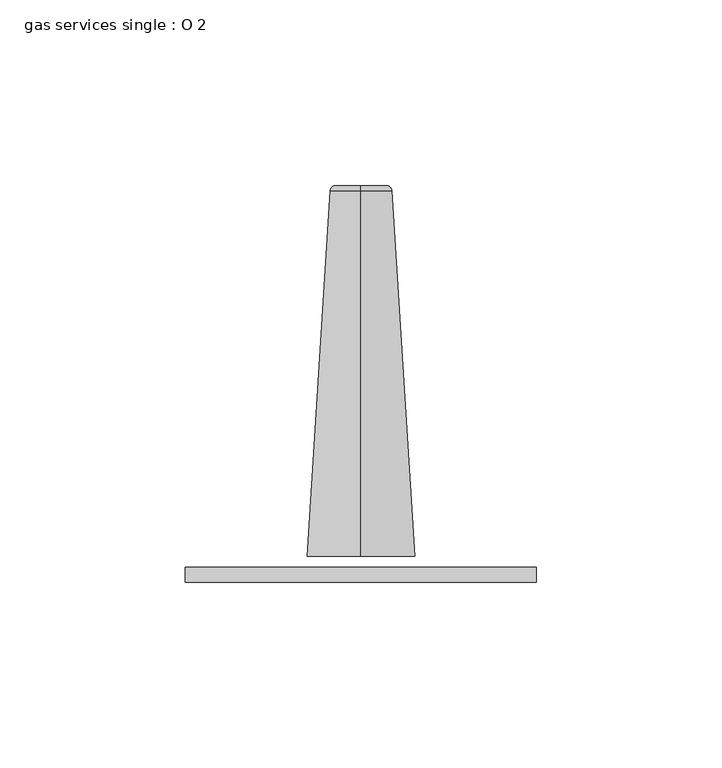
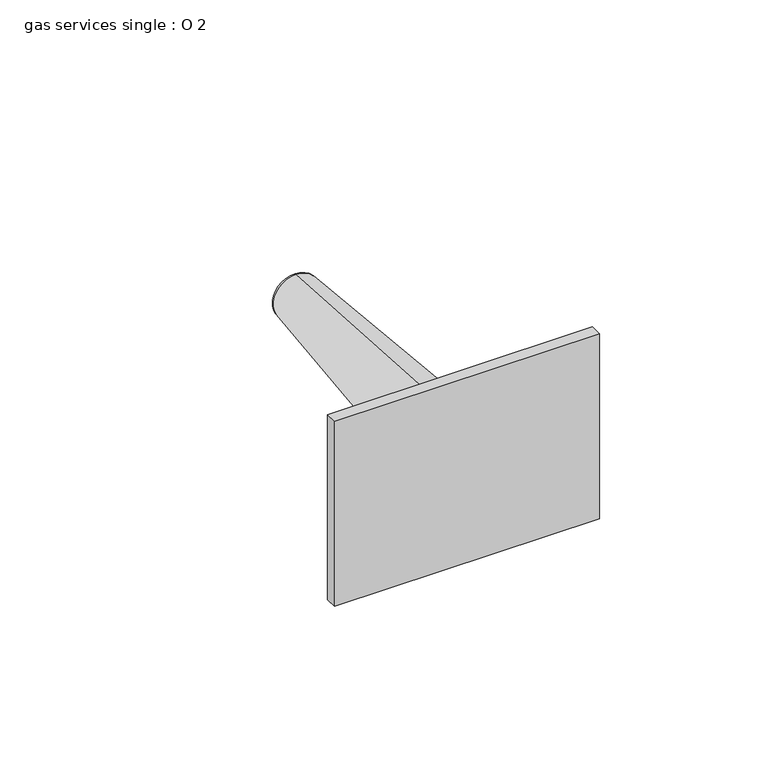
"""IFC4 building model written with IfcOpenShell, lengths in millimetres: flow terminal geometry, gas services single : O 2."""

import ifcopenshell
import ifcopenshell.guid

model = None  # the IFC model being written
_history = None  # IfcOwnerHistory: only IFC2X3 demands one
_inside = {}  # id of a spatial element -> (the spatial element, [elements in it])
_under = {}  # id of a project, library or spatial element -> (it, [spatial elements below it])
_declared = {}  # id of a project -> (the project, [libraries it declares])
_typed = {}  # id of a type object -> (the type object, [elements of that type])
_made_of = {}  # id of a material, layer set ... -> (it, [elements and type objects made of it])


def new_model(schema):
    """Start an empty IFC model of exactly this schema.

    Asked for "IFC4X3", IfcOpenShell would pick the latest addendum, in which some entities
    have other attributes; the version numbers below select the first issue.
    IFC2X3 requires an IfcOwnerHistory on every rooted entity: one is made here for all.
    """
    global model, _history
    if schema == "IFC4X3":
        model = ifcopenshell.file(schema_version=(4, 3, 0, 0))
    else:
        model = ifcopenshell.file(schema=schema)
    _inside.clear()
    _under.clear()
    _declared.clear()
    _typed.clear()
    _made_of.clear()
    _history = None
    if model.schema == "IFC2X3":
        org = make("IfcOrganization", Name="unknown")
        user = make(
            "IfcPersonAndOrganization",
            ThePerson=make("IfcPerson", FamilyName="unknown"),
            TheOrganization=org,
        )
        app = make(
            "IfcApplication",
            ApplicationDeveloper=org,
            Version="unknown",
            ApplicationFullName="unknown",
            ApplicationIdentifier="unknown",
        )
        _history = make(
            "IfcOwnerHistory",
            OwningUser=user,
            OwningApplication=app,
            ChangeAction="ADDED",
            CreationDate=0,
        )
    return model


def make(cls, **values):
    """One entity of the class cls with the attributes given. An attribute that is None is left unset."""
    return model.create_entity(
        cls, **{name: value for name, value in values.items() if value is not None}
    )


def rooted(cls, **values):
    """An entity with a GlobalId (a new one), such as an element, a storey or a relation."""
    return make(cls, GlobalId=ifcopenshell.guid.new(), OwnerHistory=_history, **values)


def si_unit(unit_type, name, prefix=None):
    """IfcSIUnit, for example si_unit("LENGTHUNIT", "METRE", prefix="MILLI")."""
    return make("IfcSIUnit", UnitType=unit_type, Prefix=prefix, Name=name)


def assignment(units):
    """IfcUnitAssignment: the units of a project."""
    return None if units is None else make("IfcUnitAssignment", Units=units)


def point(xyz):
    """IfcCartesianPoint."""
    return None if xyz is None else make("IfcCartesianPoint", Coordinates=xyz)


def direction(xyz):
    """IfcDirection."""
    return None if xyz is None else make("IfcDirection", DirectionRatios=xyz)


def frame(location, z_axis=None, x_axis=None):
    """IfcAxis2Placement3D, a coordinate frame: its origin and axes. An axis left out is left unset."""
    return make(
        "IfcAxis2Placement3D",
        Location=point(location),
        Axis=direction(z_axis),
        RefDirection=direction(x_axis),
    )


def origin():
    """The frame at (0, 0, 0) with its axes left unset."""
    return frame((0.0, 0.0, 0.0))


def place(relative_to, where):
    """IfcLocalPlacement: puts the frame where relative to a parent placement (None: the world)."""
    return make(
        "IfcLocalPlacement", PlacementRelTo=relative_to, RelativePlacement=where
    )


def context(
    kind, dimensions, precision=None, world=None, true_north=None, identifier=None
):
    """IfcGeometricRepresentationContext, for example the 3D "Model" context."""
    return make(
        "IfcGeometricRepresentationContext",
        ContextIdentifier=identifier,
        ContextType=kind,
        CoordinateSpaceDimension=dimensions,
        Precision=precision,
        WorldCoordinateSystem=world,
        TrueNorth=true_north,
    )


def project(units=None, contexts=None):
    """IfcProject with its units and contexts."""
    return rooted(
        "IfcProject",
        Name="project",
        RepresentationContexts=contexts,
        UnitsInContext=assignment(units),
    )


def spatial(cls, under=None, at=None, **own):
    """A site, building, storey or space (cls), placed at a placement, below another one or the project."""
    s = rooted(cls, ObjectPlacement=at, **own)
    if under is not None:
        _under.setdefault(under.id(), (under, []))[1].append(s)
    return s


def polyline(points):
    """IfcPolyline through the points."""
    return make("IfcPolyline", Points=[point(p) for p in points])


def circle_curve(where, radius):
    """IfcCircle in the frame where."""
    return make("IfcCircle", Position=where, Radius=radius)


def ellipse_curve(where, semi_axis1, semi_axis2):
    """IfcEllipse in the frame where."""
    return make(
        "IfcEllipse", Position=where, SemiAxis1=semi_axis1, SemiAxis2=semi_axis2
    )


def trimmed(basis, trim1, trim2, sense, master):
    """IfcTrimmedCurve: the piece of a basis curve between two trims."""
    return make(
        "IfcTrimmedCurve",
        BasisCurve=basis,
        Trim1=trim1,
        Trim2=trim2,
        SenseAgreement=sense,
        MasterRepresentation=master,
    )


def outline(outer, holes=None, kind="AREA"):
    """IfcArbitraryClosedProfileDef: a profile drawn as a closed curve; with holes, ...WithVoids."""
    if holes is None:
        return make("IfcArbitraryClosedProfileDef", ProfileType=kind, OuterCurve=outer)
    return make(
        "IfcArbitraryProfileDefWithVoids",
        ProfileType=kind,
        OuterCurve=outer,
        InnerCurves=holes,
    )


def extrude(swept, where, along, depth):
    """IfcExtrudedAreaSolid: the profile swept, set in the frame where, extruded along a direction by depth."""
    return make(
        "IfcExtrudedAreaSolid",
        SweptArea=swept,
        Position=where,
        ExtrudedDirection=direction(along),
        Depth=depth,
    )


def shape(context_of_items, identifier, shape_type, items):
    """IfcShapeRepresentation: the items that make up one representation, for example the "Body"."""
    return make(
        "IfcShapeRepresentation",
        ContextOfItems=context_of_items,
        RepresentationIdentifier=identifier,
        RepresentationType=shape_type,
        Items=items,
    )


def source(mapping_origin, context_of_items, identifier, shape_type, items):
    """IfcRepresentationMap: a shape defined once, which mapped items show again and again."""
    return make(
        "IfcRepresentationMap",
        MappingOrigin=mapping_origin,
        MappedRepresentation=shape(context_of_items, identifier, shape_type, items),
    )


def transform(
    local_origin,
    x_axis=None,
    y_axis=None,
    z_axis=None,
    scale=None,
    scale2=None,
    scale3=None,
    uniform=True,
):
    """IfcCartesianTransformationOperator3D, or its non-uniform kind. x_axis, y_axis, z_axis: its Axis1, 2, 3."""
    if uniform:
        return make(
            "IfcCartesianTransformationOperator3D",
            Axis1=direction(x_axis),
            Axis2=direction(y_axis),
            LocalOrigin=point(local_origin),
            Scale=scale,
            Axis3=direction(z_axis),
        )
    return make(
        "IfcCartesianTransformationOperator3DnonUniform",
        Axis1=direction(x_axis),
        Axis2=direction(y_axis),
        LocalOrigin=point(local_origin),
        Scale=scale,
        Axis3=direction(z_axis),
        Scale2=scale2,
        Scale3=scale3,
    )


def mapped(mapping_source, mapping_target):
    """IfcMappedItem: shows the shape of a source again, moved by a transform."""
    return make(
        "IfcMappedItem", MappingSource=mapping_source, MappingTarget=mapping_target
    )


def made_of(thing, what):
    """Note that an element or type object is made of a material, layer set ...; save() writes the relation."""
    if what is not None:
        _made_of.setdefault(what.id(), (what, []))[1].append(thing)
    return thing


def element(
    cls,
    number,
    at=None,
    inside=None,
    cuts=None,
    type_object=None,
    material=None,
    context=None,
    identifier="Body",
    shape_type=None,
    held_by="IfcProductDefinitionShape",
    body=None,
    shapes=None,
    **own,
):
    """One element of the class cls, such as IfcWall. Its Tag is "e" and its number.

    at: its placement. inside: the storey or other place that contains it. cuts: it is an
    opening in that element (IfcRelVoidsElement). A single representation is given by context,
    identifier, shape_type and body (its items); several are given by shapes. held_by: the class
    of the entity that holds the representations. save() writes the other relations.
    """
    e = rooted(cls, Tag="e%d" % number, ObjectPlacement=at, **own)
    if body is not None:
        shapes = [shape(context, identifier, shape_type, body)]
    if shapes is not None:
        e.Representation = make(held_by, Representations=shapes)
    if inside is not None:
        _inside.setdefault(inside.id(), (inside, []))[1].append(e)
    if cuts is not None:
        rooted(
            "IfcRelVoidsElement", RelatingBuildingElement=cuts, RelatedOpeningElement=e
        )
    if type_object is not None:
        _typed.setdefault(type_object.id(), (type_object, []))[1].append(e)
    return made_of(e, material)


def aggregate(whole, parts):
    """IfcRelAggregates: a whole, such as a stair, and the parts it consists of."""
    return rooted("IfcRelAggregates", RelatingObject=whole, RelatedObjects=parts)


def save(model, path):
    """Write the relations noted so far, then the file.

    IfcRelAggregates (storeys below a building ...), IfcRelContainedInSpatialStructure (elements
    in a storey), IfcRelDefinesByType, IfcRelAssociatesMaterial and IfcRelDeclares: one each for
    every whole, place, type object, material and project.
    """
    for whole, parts in _under.values():
        aggregate(whole, parts)
    for where, things in _inside.values():
        rooted(
            "IfcRelContainedInSpatialStructure",
            RelatedElements=things,
            RelatingStructure=where,
        )
    for kind, things in _typed.values():
        rooted("IfcRelDefinesByType", RelatedObjects=things, RelatingType=kind)
    for what, things in _made_of.values():
        rooted("IfcRelAssociatesMaterial", RelatedObjects=things, RelatingMaterial=what)
    for by, libraries in _declared.values():
        rooted("IfcRelDeclares", RelatingContext=by, RelatedDefinitions=libraries)
    model.write(path)


def plane_surface(at):
    """IfcPlane: the flat surface through the origin of the frame at, square to its z axis."""
    return make("IfcPlane", Position=at)


def revolved_surface(curve, axis_point, axis_direction):
    """IfcSurfaceOfRevolution: the curve turned about the line through axis_point along axis_direction."""
    return make(
        "IfcSurfaceOfRevolution",
        SweptCurve=make("IfcArbitraryOpenProfileDef", ProfileType="CURVE", Curve=curve),
        AxisPosition=make("IfcAxis1Placement", Location=point(axis_point), Axis=direction(axis_direction)),
    )


def advanced_brep(points, edges, surfaces, faces):
    """IfcAdvancedBrep: a solid bounded by faces that lie on surfaces and meet in shared edges.

    An edge is (start, end): straight between two places in points (the first is 0);
    or (start, end, curve); or (start, end, curve, False) where it runs against its curve.
    A face is (place in surfaces, loops), or (place, loops, False) where it looks against
    its surface's normal. A loop lists edges by number (the first is 1), with a minus sign
    where the edge is run from its end to its start. The first loop is the outer one.
    """
    corners = [point(p) for p in points]
    vertices = [make("IfcVertexPoint", VertexGeometry=c) for c in corners]
    made = []
    for start, end, *more in edges:
        made.append(
            make(
                "IfcEdgeCurve",
                EdgeStart=vertices[start],
                EdgeEnd=vertices[end],
                EdgeGeometry=more[0] if more else make("IfcPolyline", Points=[corners[start], corners[end]]),
                SameSense=more[1] if len(more) > 1 else True,
            )
        )
    hull = []
    for where, loops, *sense in faces:
        bounds = []
        for j, loop in enumerate(loops):
            ring = [make("IfcOrientedEdge", EdgeElement=made[abs(k) - 1], Orientation=k > 0) for k in loop]
            bounds.append(
                make(
                    "IfcFaceOuterBound" if j == 0 else "IfcFaceBound",
                    Bound=make("IfcEdgeLoop", EdgeList=ring),
                    Orientation=True,
                )
            )
        hull.append(make("IfcAdvancedFace", Bounds=bounds, FaceSurface=surfaces[where], SameSense=sense[0] if sense else True))
    return make("IfcAdvancedBrep", Outer=make("IfcClosedShell", CfsFaces=hull))


def gas_services_single_o_2_829e2ac2(model_context):
    return source(origin(), model_context, "Body", "SolidModel", [
        extrude(outline(polyline([(-47.8699712, -65.6942794), (-47.8699712, -61.5339373), (46.6884324, -61.5339373), (46.6884324, -65.6942794), (-47.8699712, -65.6942794)])), frame((0.0, 0.0, 1056.6175649), z_axis=(0.0, 0.0, 1.0), x_axis=(1.0, 0.0, 0.0)), (0.0, 0.0, 1.0), 69.85),
        advanced_brep(
        [(-0.5907694, 41.3057984, 1099.8610317), (-0.5907694, 41.3057984, 1086.2096591), (-0.5907694, 41.3057984, 1093.0353454), (-0.5907694, 39.8814125, 1101.3777753), (-0.5907694, 39.8814125, 1084.6929155), (-0.5907694, -58.6907564, 1107.5746328), (-0.5907694, -58.6907564, 1078.4960579), (-0.5907694, -58.6907564, 1093.0353454)],
        [
            (0, 1, circle_curve(frame((-0.5907694, 41.3057984, 1093.0353454), z_axis=(0.0, 1.0, 0.0), x_axis=(0.0, 0.0, -1.0)), 6.8256863)),
            (1, 2),
            (2, 0),
            (1, 0, circle_curve(frame((-0.5907694, 41.3057984, 1093.0353454), z_axis=(0.0, 1.0, 0.0), x_axis=(0.0, 0.0, -1.0)), 6.8256863)),
            (3, 4, circle_curve(frame((-0.5907694, 39.8814125, 1093.0353454), z_axis=(0.0, 1.0, 0.0), x_axis=(0.0, 0.0, -1.0)), 8.3424299)),
            (4, 1, circle_curve(frame((-0.5907694, 39.7860606, 1086.2096591), z_axis=(1.0, 0.0, 0.0), x_axis=(0.0, -1.0, 0.0)), 1.5197379)),
            (0, 3, circle_curve(frame((-0.5907694, 39.7860606, 1099.8610317), z_axis=(1.0, 0.0, 0.0), x_axis=(0.0, -1.0, 0.0)), 1.5197379)),
            (4, 3, circle_curve(frame((-0.5907694, 39.8814125, 1093.0353454), z_axis=(0.0, 1.0, 0.0), x_axis=(0.0, 0.0, -1.0)), 8.3424299)),
            (5, 6, circle_curve(frame((-0.5907694, -58.6907564, 1093.0353454), z_axis=(0.0, 1.0, 0.0), x_axis=(0.0, 0.0, -1.0)), 14.5392874)),
            (6, 4),
            (3, 5),
            (6, 5, circle_curve(frame((-0.5907694, -58.6907564, 1093.0353454), z_axis=(0.0, 1.0, 0.0), x_axis=(0.0, 0.0, -1.0)), 14.5392874)),
            (7, 6),
            (5, 7),
        ],
        [
            plane_surface(frame((-0.5907694, 41.3057984, 1093.0353454), z_axis=(0.0, 1.0, 0.0), x_axis=(0.0, 0.0, -1.0))),
            revolved_surface(trimmed(ellipse_curve(frame((-0.5907694, 39.7860606, 1086.2096591), z_axis=(-1.0, 0.0, 0.0), x_axis=(0.0, -1.0, 0.0)), 1.5197379, 1.5197379), [point((-0.5907694, 41.3057984, 1086.2096591))], [point((-0.5907694, 39.8814125, 1084.6929155))], True, "CARTESIAN"), (-0.5907694, -27.0773362, 1093.0353454), (0.0, -1.0, 0.0)),
            revolved_surface(polyline([(-0.5907694, 39.8814125, 1084.6929155), (-0.5907694, -58.6907564, 1078.4960579)]), (-0.5907694, -27.0773362, 1093.0353454), (0.0, -1.0, 0.0)),
            plane_surface(frame((-0.5907694, -58.6907564, 1093.0353454), z_axis=(0.0, -1.0, 0.0), x_axis=(0.0, 0.0, -1.0))),
        ],
        [
            (0, [[1, 2, 3]]),
            (0, [[4, -3, -2]]),
            (1, [[5, 6, -1, 7]]),
            (1, [[8, -7, -4, -6]]),
            (2, [[9, 10, -5, 11]]),
            (2, [[12, -11, -8, -10]]),
            (3, [[13, -9, 14]]),
            (3, [[-14, -12, -13]]),
        ],
    ),
    ])


if __name__ == "__main__":
    model = new_model("IFC4")
    model_context = context("Model", 3, world=origin())
    ifc_project = project(units=[si_unit("LENGTHUNIT", "METRE", prefix="MILLI")], contexts=[model_context])
    site = spatial("IfcSite", under=ifc_project)
    building = spatial("IfcBuilding", under=site)
    placement = place(None, origin())
    gas_services_single_o_2_shape = gas_services_single_o_2_829e2ac2(model_context)
    element("IfcFlowTerminal", 1, ObjectType="gas services single : O 2", at=placement, inside=building, context=model_context, shape_type="MappedRepresentation", body=[
        mapped(gas_services_single_o_2_shape, transform((0.0, 0.0, 0.0), x_axis=(1.0, 0.0, 0.0), y_axis=(0.0, 1.0, 0.0), z_axis=(0.0, 0.0, 1.0))),
    ])
    save(model, "model.ifc")
